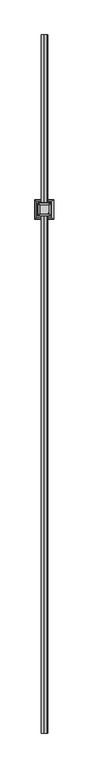
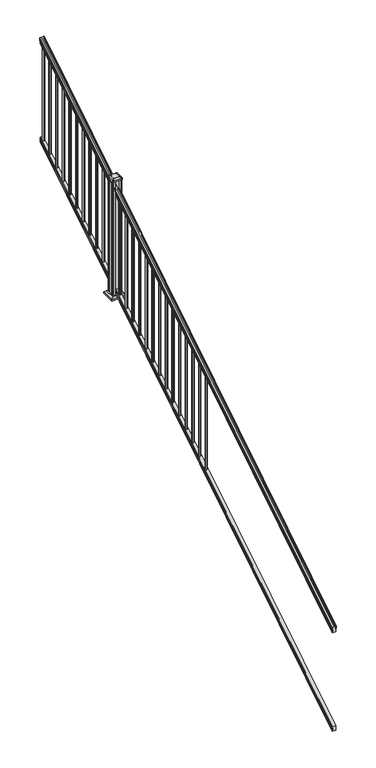
"""IFC4 building model written with IfcOpenShell, lengths in millimetres: railing geometry."""

from ifc_helpers import new_model, si_unit, point, frame, frame_2d, origin, place, context, project, spatial, polyline, circle_curve, ellipse_curve, trimmed, segment, composite_curve, outline, extrude, faceted_brep, source, transform, mapped, element, save
from ifc_brep_helpers import plane_surface, cylinder_surface, revolved_surface, extruded_surface, advanced_brep


def railing_0a82d272(model_context):
    return source(origin(), model_context, "Body", "SolidModel", [
        advanced_brep(
        [(9739.1614371, -16813.8194681, 1285.6070492), (9741.7352659, -16813.8194681, 1285.6070492), (9741.7352659, -16813.8194681, 1273.0394336), (9740.7192659, -16813.8194681, 1271.841318), (9740.7192659, -16813.8194681, 1257.3), (9772.4692659, -16813.8194681, 1257.3), (9772.4692659, -16813.8194681, 1272.0274214), (9771.4532659, -16813.8194681, 1273.225537), (9771.4532659, -16813.8194681, 1285.6070492), (9774.0270946, -16813.8194681, 1285.6070492), (9774.0270946, -16813.8194681, 1287.8335658), (9775.1572809, -16813.8194681, 1289.6758543), (9775.1572809, -16813.8194681, 1298.1876358), (9774.5080245, -16813.8194681, 1301.0572588), (9777.0080245, -16813.8194681, 1306.1635509), (9778.417367, -16813.8194681, 1308.1442021), (9778.819266, -16813.8194681, 1309.4469579), (9778.8192659, -16813.8194681, 1311.0274846), (9777.2658186, -16813.8194681, 1312.8593836), (9756.5942659, -16813.8194681, 1312.8593836), (9735.9227131, -16813.8194681, 1312.8593836), (9734.3692659, -16813.8194681, 1311.0274846), (9734.3692659, -16813.8194681, 1309.4469579), (9734.7711648, -16813.8194681, 1308.1442021), (9736.1805072, -16813.8194681, 1306.1635509), (9738.6805072, -16813.8194681, 1301.0572588), (9738.0312508, -16813.8194681, 1298.1876358), (9738.0312508, -16813.8194681, 1289.6758543), (9739.1614371, -16813.8194681, 1287.8335658), (9739.1614371, -11937.0194681, 4333.6070492), (9739.1614371, -11937.0194681, 4335.8335658), (9738.0312508, -11937.0194681, 4337.6758543), (9738.0312508, -11937.0194681, 4346.1876358), (9738.6805072, -11937.0194681, 4349.0572588), (9736.1805072, -11937.0194681, 4354.1635509), (9734.7711648, -11937.0194681, 4356.1442021), (9734.3692658, -11937.0194681, 4357.4469579), (9734.3692659, -11937.0194681, 4359.0274846), (9735.9227131, -11937.0194681, 4360.8593836), (9756.5942659, -11937.0194681, 4360.8593836), (9777.2658186, -11937.0194681, 4360.8593836), (9778.8192659, -11937.0194681, 4359.0274846), (9778.8192659, -11937.0194681, 4357.4469579), (9778.417367, -11937.0194681, 4356.1442021), (9777.0080245, -11937.0194681, 4354.1635509), (9774.5080245, -11937.0194681, 4349.0572588), (9775.1572809, -11937.0194681, 4346.1876358), (9775.1572809, -11937.0194681, 4337.6758543), (9774.0270946, -11937.0194681, 4335.8335658), (9774.0270946, -11937.0194681, 4333.6070492), (9771.4532659, -11937.0194681, 4333.6070492), (9771.4532659, -11937.0194681, 4321.225537), (9772.4692659, -11937.0194681, 4320.0274214), (9772.4692659, -11937.0194681, 4305.3), (9740.7192659, -11937.0194681, 4305.3), (9740.7192659, -11937.0194681, 4319.841318), (9741.7352659, -11937.0194681, 4321.0394336), (9741.7352659, -11937.0194681, 4333.6070492)],
        [
            (0, 1, ellipse_curve(frame((9740.4483515, -16813.8194681, 1285.6070492), z_axis=(0.0, -1.0, 0.0), x_axis=(0.0, 0.0, -1.0)), 1.5175907, 1.2869144)),
            (1, 2),
            (2, 3),
            (3, 4),
            (4, 5),
            (5, 6),
            (6, 7),
            (7, 8),
            (8, 9, ellipse_curve(frame((9772.7401802, -16813.8194681, 1285.6070492), z_axis=(0.0, -1.0, 0.0), x_axis=(0.0, 0.0, -1.0)), 1.5175907, 1.2869144)),
            (9, 10),
            (10, 11, ellipse_curve(frame((9767.7123413, -16813.8194681, 1294.6239405), z_axis=(0.0, -1.0, 0.0), x_axis=(0.0, 0.0, -1.0)), 10.0777926, 8.545951)),
            (11, 12, ellipse_curve(frame((9768.1494043, -16813.8194681, 1293.9317451), z_axis=(0.0, -1.0, 0.0), x_axis=(0.0, 0.0, -1.0)), 9.2955186, 7.882584)),
            (12, 13, ellipse_curve(frame((9778.6627284, -16813.8194681, 1300.8275077), z_axis=(0.0, 1.0, 0.0), x_axis=(0.0, 0.0, 1.0)), 4.9048088, 4.1592695)),
            (13, 14, ellipse_curve(frame((9779.950035, -16813.8194681, 1300.7563208), z_axis=(0.0, 1.0, 0.0), x_axis=(0.0, 0.0, 1.0)), 6.4245301, 5.4479907)),
            (14, 15, ellipse_curve(frame((9778.7168765, -16813.8194681, 1306.1602333), z_axis=(0.0, 1.0, 0.0), x_axis=(0.0, 0.0, 1.0)), 2.0151625, 1.7088543)),
            (15, 16, ellipse_curve(frame((9777.0999764, -16813.8194681, 1309.4469579), z_axis=(0.0, -1.0, 0.0), x_axis=(0.0, 0.0, -1.0)), 2.0274681, 1.7192895)),
            (16, 17),
            (17, 18, ellipse_curve(frame((9777.2658186, -16813.8194681, 1311.0274846), z_axis=(0.0, -1.0, 0.0), x_axis=(0.0, 0.0, -1.0)), 1.831899, 1.5534472)),
            (18, 19),
            (19, 20),
            (20, 21, ellipse_curve(frame((9735.9227131, -16813.8194681, 1311.0274846), z_axis=(0.0, -1.0, 0.0), x_axis=(0.0, 0.0, -1.0)), 1.831899, 1.5534472)),
            (21, 22),
            (22, 23, ellipse_curve(frame((9736.0885553, -16813.8194681, 1309.4469579), z_axis=(0.0, -1.0, 0.0), x_axis=(0.0, 0.0, -1.0)), 2.0274681, 1.7192895)),
            (23, 24, ellipse_curve(frame((9734.4716552, -16813.8194681, 1306.1602333), z_axis=(0.0, 1.0, 0.0), x_axis=(0.0, 0.0, 1.0)), 2.0151625, 1.7088543)),
            (24, 25, ellipse_curve(frame((9733.2384968, -16813.8194681, 1300.7563208), z_axis=(0.0, 1.0, 0.0), x_axis=(0.0, 0.0, 1.0)), 6.4245301, 5.4479907)),
            (25, 26, ellipse_curve(frame((9734.5258033, -16813.8194681, 1300.8275077), z_axis=(0.0, 1.0, 0.0), x_axis=(0.0, 0.0, 1.0)), 4.9048088, 4.1592695)),
            (26, 27, ellipse_curve(frame((9745.0391275, -16813.8194681, 1293.9317451), z_axis=(0.0, -1.0, 0.0), x_axis=(0.0, 0.0, -1.0)), 9.2955186, 7.882584)),
            (27, 28, ellipse_curve(frame((9745.4761904, -16813.8194681, 1294.6239405), z_axis=(0.0, -1.0, 0.0), x_axis=(0.0, 0.0, -1.0)), 10.0777926, 8.545951)),
            (28, 0),
            (29, 30),
            (30, 31, ellipse_curve(frame((9745.4761904, -11937.0194681, 4342.6239405), z_axis=(0.0, 1.0, 0.0), x_axis=(0.0, 0.0, -1.0)), 10.0777926, 8.545951)),
            (31, 32, ellipse_curve(frame((9745.0391275, -11937.0194681, 4341.9317451), z_axis=(0.0, 1.0, 0.0), x_axis=(0.0, 0.0, -1.0)), 9.2955186, 7.882584)),
            (32, 33, ellipse_curve(frame((9734.5258033, -11937.0194681, 4348.8275077), z_axis=(0.0, -1.0, 0.0), x_axis=(0.0, 0.0, 1.0)), 4.9048088, 4.1592695)),
            (33, 34, ellipse_curve(frame((9733.2384968, -11937.0194681, 4348.7563208), z_axis=(0.0, -1.0, 0.0), x_axis=(0.0, 0.0, 1.0)), 6.4245301, 5.4479907)),
            (34, 35, ellipse_curve(frame((9734.4716552, -11937.0194681, 4354.1602333), z_axis=(0.0, -1.0, 0.0), x_axis=(0.0, 0.0, 1.0)), 2.0151625, 1.7088543)),
            (35, 36, ellipse_curve(frame((9736.0885553, -11937.0194681, 4357.4469579), z_axis=(0.0, 1.0, 0.0), x_axis=(0.0, 0.0, -1.0)), 2.0274681, 1.7192895)),
            (36, 37),
            (37, 38, ellipse_curve(frame((9735.9227131, -11937.0194681, 4359.0274846), z_axis=(0.0, 1.0, 0.0), x_axis=(0.0, 0.0, -1.0)), 1.831899, 1.5534472)),
            (38, 39),
            (39, 40),
            (40, 41, ellipse_curve(frame((9777.2658186, -11937.0194681, 4359.0274846), z_axis=(0.0, 1.0, 0.0), x_axis=(0.0, 0.0, -1.0)), 1.831899, 1.5534472)),
            (41, 42),
            (42, 43, ellipse_curve(frame((9777.0999764, -11937.0194681, 4357.4469579), z_axis=(0.0, 1.0, 0.0), x_axis=(0.0, 0.0, -1.0)), 2.0274681, 1.7192895)),
            (43, 44, ellipse_curve(frame((9778.7168765, -11937.0194681, 4354.1602333), z_axis=(0.0, -1.0, 0.0), x_axis=(0.0, 0.0, 1.0)), 2.0151625, 1.7088543)),
            (44, 45, ellipse_curve(frame((9779.950035, -11937.0194681, 4348.7563208), z_axis=(0.0, -1.0, 0.0), x_axis=(0.0, 0.0, 1.0)), 6.4245301, 5.4479907)),
            (45, 46, ellipse_curve(frame((9778.6627284, -11937.0194681, 4348.8275077), z_axis=(0.0, -1.0, 0.0), x_axis=(0.0, 0.0, 1.0)), 4.9048088, 4.1592695)),
            (46, 47, ellipse_curve(frame((9768.1494043, -11937.0194681, 4341.9317451), z_axis=(0.0, 1.0, 0.0), x_axis=(0.0, 0.0, -1.0)), 9.2955186, 7.882584)),
            (47, 48, ellipse_curve(frame((9767.7123413, -11937.0194681, 4342.6239405), z_axis=(0.0, 1.0, 0.0), x_axis=(0.0, 0.0, -1.0)), 10.0777926, 8.545951)),
            (48, 49),
            (49, 50, ellipse_curve(frame((9772.7401802, -11937.0194681, 4333.6070492), z_axis=(0.0, 1.0, 0.0), x_axis=(0.0, 0.0, -1.0)), 1.5175907, 1.2869144)),
            (50, 51),
            (51, 52),
            (52, 53),
            (53, 54),
            (54, 55),
            (55, 56),
            (56, 57),
            (57, 29, ellipse_curve(frame((9740.4483515, -11937.0194681, 4333.6070492), z_axis=(0.0, 1.0, 0.0), x_axis=(0.0, 0.0, -1.0)), 1.5175907, 1.2869144)),
            (0, 29),
            (57, 1),
            (56, 2),
            (55, 3),
            (54, 4),
            (53, 5),
            (52, 6),
            (51, 7),
            (50, 8),
            (49, 9),
            (48, 10),
            (47, 11),
            (46, 12),
            (45, 13),
            (44, 14),
            (43, 15),
            (42, 16),
            (41, 17),
            (40, 18),
            (39, 19),
            (38, 20),
            (37, 21),
            (36, 22),
            (35, 23),
            (34, 24),
            (33, 25),
            (32, 26),
            (31, 27),
            (30, 28),
        ],
        [
            plane_surface(frame((9756.5942659, -16813.8194681, 1257.3), z_axis=(0.0, -1.0, 0.0), x_axis=(0.0, 0.0, 1.0))),
            plane_surface(frame((9756.5942659, -11937.0194681, 4305.3), z_axis=(0.0, 1.0, 0.0), x_axis=(0.0, 0.0, 1.0))),
            cylinder_surface(frame((9740.4483515, -16826.5417374, 1277.6556309), z_axis=(0.0, -0.8479983040051251, -0.5299989400031206), x_axis=(1.0, 0.0, 0.0)), 1.2869144),
            plane_surface(frame((9741.7352659, -16813.8194681, 1285.6070492), z_axis=(-1.0000000000000002, 0.0, 0.0), x_axis=(0.0, 0.8479983040051251, 0.5299989400031208))),
            plane_surface(frame((9741.7352659, -16813.8194681, 1273.0394336), z_axis=(-0.7071067811865404, -0.3747658444978918, 0.5996253511967223), x_axis=(0.0, 0.8479983040051252, 0.5299989400031206))),
            plane_surface(frame((9740.7192659, -16813.8194681, 1271.841318), z_axis=(-1.0, 0.0, 0.0), x_axis=(0.0, 0.8479983040051251, 0.5299989400031206))),
            plane_surface(frame((9740.7192659, -16813.8194681, 1257.3), z_axis=(0.0, 0.5299989400031206, -0.8479983040051251), x_axis=(0.0, 0.8479983040051251, 0.5299989400031206))),
            plane_surface(frame((9772.4692659, -16813.8194681, 1257.3), z_axis=(1.0000000000000002, 0.0, 0.0), x_axis=(0.0, 0.8479983040051251, 0.5299989400031208))),
            plane_surface(frame((9772.4692659, -16813.8194681, 1272.0274214), z_axis=(0.7071067811865426, -0.3747658444978924, 0.5996253511967191), x_axis=(0.0, 0.8479983040051251, 0.5299989400031208))),
            plane_surface(frame((9771.4532659, -16813.8194681, 1273.225537), z_axis=(1.0, 0.0, 0.0), x_axis=(0.0, 0.8479983040051251, 0.5299989400031206))),
            cylinder_surface(frame((9772.7401802, -16826.5417374, 1277.6556309), z_axis=(0.0, -0.8479983040051251, -0.5299989400031206), x_axis=(-1.0, 0.0, 0.0)), 1.2869144),
            plane_surface(frame((9774.0270946, -16813.8194681, 1285.6070492), z_axis=(1.0000000000000002, 0.0, 0.0), x_axis=(0.0, 0.8479983040051251, 0.5299989400031208))),
            cylinder_surface(frame((9767.7123413, -16830.5942728, 1284.1396876), z_axis=(0.0, -0.8479983040051251, -0.5299989400031206), x_axis=(-1.0, 0.0, 0.0)), 8.545951),
            cylinder_surface(frame((9768.1494043, -16830.2831737, 1283.641929), z_axis=(0.0, -0.8479983040051251, -0.5299989400031206), x_axis=(-1.0, 0.0, 0.0)), 7.882584),
            revolved_surface(polyline([(9774.5034589, -11934.815059650347, 4350.205262980556), (9774.5034589, -16816.023876549436, 1299.4497524191004)]), (9778.6627284, -16833.3823929, 1288.6006797), (0.0, 0.8479983040051251, 0.5299989400031206)),
            revolved_surface(polyline([(9774.5020443, -11934.132038835742, 4350.560964077186), (9774.5020443, -16816.706897352808, 1298.9516775044947)]), (9779.950035, -16833.3503988, 1288.5494891), (0.0, 0.8479983040051251, 0.5299989400031206)),
            revolved_surface(polyline([(9777.0080222, -11936.113777099785, 4354.726290199658), (9777.0080222, -16814.72515912247, 1305.5941764359545)]), (9778.7168765, -16835.7791235, 1292.4354487), (0.0, 0.8479983040051251, 0.5299989400031206)),
            cylinder_surface(frame((9777.0999764, -16837.2563031, 1294.798936), z_axis=(0.0, -0.8479983040051251, -0.5299989400031206), x_axis=(-1.0, 0.0, 0.0)), 1.7192895),
            plane_surface(frame((9778.8192659, -16813.8194681, 1309.4469579), z_axis=(1.0000000000000002, 0.0, 0.0), x_axis=(0.0, 0.8479983040051251, 0.5299989400031208))),
            cylinder_surface(frame((9777.2658186, -16837.9666522, 1295.9354945), z_axis=(0.0, -0.8479983040051251, -0.5299989400031206), x_axis=(-1.0, 0.0, 0.0)), 1.5534472),
            plane_surface(frame((9777.2658186, -16813.8194681, 1312.8593836), z_axis=(0.0, -0.5299989400031208, 0.8479983040051251), x_axis=(0.0, 0.8479983040051251, 0.5299989400031208))),
            plane_surface(frame((9756.5942659, -16813.8194681, 1312.8593836), z_axis=(0.0, -0.5299989400031208, 0.8479983040051251), x_axis=(0.0, 0.8479983040051251, 0.5299989400031208))),
            cylinder_surface(frame((9735.9227131, -16837.9666522, 1295.9354945), z_axis=(0.0, -0.8479983040051251, -0.5299989400031206), x_axis=(1.0, 0.0, 0.0)), 1.5534472),
            plane_surface(frame((9734.3692659, -16813.8194681, 1311.0274846), z_axis=(-1.0000000000000002, 0.0, 0.0), x_axis=(0.0, 0.8479983040051251, 0.5299989400031208))),
            cylinder_surface(frame((9736.0885553, -16837.2563031, 1294.798936), z_axis=(0.0, -0.8479983040051251, -0.5299989400031206), x_axis=(1.0, 0.0, 0.0)), 1.7192895),
            revolved_surface(polyline([(9736.180509500002, -11936.113777099785, 4354.726290199658), (9736.180509500002, -16814.72515912247, 1305.5941764359545)]), (9734.4716552, -16835.7791235, 1292.4354487), (0.0, 0.8479983040051251, 0.5299989400031206)),
            revolved_surface(polyline([(9738.686487500001, -11934.132038835742, 4350.560964077186), (9738.686487500001, -16816.706897352808, 1298.9516775044947)]), (9733.2384968, -16833.3503988, 1288.5494891), (0.0, 0.8479983040051251, 0.5299989400031206)),
            revolved_surface(polyline([(9738.685072799999, -11934.815059650347, 4350.205262980556), (9738.685072799999, -16816.023876549436, 1299.4497524191004)]), (9734.5258033, -16833.3823929, 1288.6006797), (0.0, 0.8479983040051251, 0.5299989400031206)),
            cylinder_surface(frame((9745.0391275, -16830.2831737, 1283.641929), z_axis=(0.0, -0.8479983040051251, -0.5299989400031206), x_axis=(1.0, 0.0, 0.0)), 7.882584),
            cylinder_surface(frame((9745.4761904, -16830.5942728, 1284.1396876), z_axis=(0.0, -0.8479983040051251, -0.5299989400031206), x_axis=(1.0, 0.0, 0.0)), 8.545951),
            plane_surface(frame((9739.1614371, -16813.8194681, 1287.8335658), z_axis=(-1.0000000000000002, 0.0, 0.0), x_axis=(0.0, 0.8479983040051251, 0.5299989400031208))),
        ],
        [
            (0, [[1, 2, 3, 4, 5, 6, 7, 8, 9, 10, 11, 12, 13, 14, 15, 16, 17, 18, 19, 20, 21, 22, 23, 24, 25, 26, 27, 28, 29]]),
            (1, [[30, 31, 32, 33, 34, 35, 36, 37, 38, 39, 40, 41, 42, 43, 44, 45, 46, 47, 48, 49, 50, 51, 52, 53, 54, 55, 56, 57, 58]]),
            (2, [[-1, 59, -58, 60]]),
            (3, [[-2, -60, -57, 61]]),
            (4, [[-3, -61, -56, 62]]),
            (5, [[-4, -62, -55, 63]]),
            (6, [[-5, -63, -54, 64]]),
            (7, [[-6, -64, -53, 65]]),
            (8, [[-7, -65, -52, 66]]),
            (9, [[-8, -66, -51, 67]]),
            (10, [[-9, -67, -50, 68]]),
            (11, [[-10, -68, -49, 69]]),
            (12, [[-11, -69, -48, 70]]),
            (13, [[-12, -70, -47, 71]]),
            (14, [[-13, -71, -46, 72]]),
            (15, [[-14, -72, -45, 73]]),
            (16, [[-15, -73, -44, 74]]),
            (17, [[-16, -74, -43, 75]]),
            (18, [[-17, -75, -42, 76]]),
            (19, [[-18, -76, -41, 77]]),
            (20, [[-19, -77, -40, 78]]),
            (21, [[-20, -78, -39, 79]]),
            (22, [[-21, -79, -38, 80]]),
            (23, [[-22, -80, -37, 81]]),
            (24, [[-23, -81, -36, 82]]),
            (25, [[-24, -82, -35, 83]]),
            (26, [[-25, -83, -34, 84]]),
            (27, [[-26, -84, -33, 85]]),
            (28, [[-27, -85, -32, 86]]),
            (29, [[-28, -86, -31, 87]]),
            (30, [[-29, -87, -30, -59]]),
        ],
    ),
        faceted_brep([(9740.681779, -16813.8194681, 268.8045079), (9740.681779, -16813.8194681, 254.0), (9772.431779, -16813.8194681, 254.0), (9772.431779, -16813.8194681, 268.7848772), (9771.415779, -16813.8194681, 270.3748303), (9771.415779, -16813.8194681, 282.5348741), (9772.431779, -16813.8194681, 284.1248272), (9772.431779, -16813.8194681, 298.9244744), (9740.681779, -16813.8194681, 298.9244744), (9740.681779, -16813.8194681, 284.1444579), (9741.697779, -16813.8194681, 282.5545048), (9741.697779, -16813.8194681, 270.338026), (9740.681779, -11937.0194681, 3316.8045079), (9741.697779, -11937.0194681, 3318.338026), (9741.697779, -11937.0194681, 3330.5545048), (9740.681779, -11937.0194681, 3332.1444579), (9740.681779, -11937.0194681, 3346.9244744), (9772.431779, -11937.0194681, 3346.9244744), (9772.431779, -11937.0194681, 3332.1248272), (9771.415779, -11937.0194681, 3330.5348741), (9771.415779, -11937.0194681, 3318.3748303), (9772.431779, -11937.0194681, 3316.7848772), (9772.431779, -11937.0194681, 3302.0), (9740.681779, -11937.0194681, 3302.0)], [[[0, 1, 2, 3, 4, 5, 6, 7, 8, 9, 10, 11]], [[12, 13, 14, 15, 16, 17, 18, 19, 20, 21, 22, 23]], [[1, 0, 12, 23]], [[2, 1, 23, 22]], [[3, 2, 22, 21]], [[4, 3, 21, 20]], [[5, 4, 20, 19]], [[6, 5, 19, 18]], [[7, 6, 18, 17]], [[8, 7, 17, 16]], [[9, 8, 16, 15]], [[10, 9, 15, 14]], [[11, 10, 14, 13]], [[0, 11, 13, 12]]]),
        extrude(outline(composite_curve([segment(trimmed(circle_curve(frame_2d((9756.5942659, -11964.0069681)), 9.525), [point((9747.0692659, -11964.0069681))], [point((9756.5942659, -11954.4819681))], False, "CARTESIAN"), True, "CONTINUOUS"), segment(trimmed(circle_curve(frame_2d((9756.5942659, -11964.0069681)), 9.525), [point((9756.5942659, -11954.4819681))], [point((9766.1192659, -11964.0069681))], False, "CARTESIAN"), True, "CONTINUOUS"), segment(trimmed(circle_curve(frame_2d((9756.5942659, -11964.0069681)), 9.525), [point((9766.1192659, -11964.0069681))], [point((9756.5942659, -11973.5319681))], False, "CARTESIAN"), True, "CONTINUOUS"), segment(trimmed(circle_curve(frame_2d((9756.5942659, -11964.0069681)), 9.525), [point((9756.5942659, -11973.5319681))], [point((9747.0692659, -11964.0069681))], False, "CARTESIAN"), True, "CONTINUOUS")], self_intersect=False)), frame((0.0, 0.0, 3323.2286906), z_axis=(0.0, 0.0, 1.0), x_axis=(1.0, 0.0, 0.0)), (0.0, 0.0, 1.0), 965.2041219),
        extrude(outline(composite_curve([segment(trimmed(circle_curve(frame_2d((9756.5942659, -12075.1319681)), 9.525), [point((9747.0692659, -12075.1319681))], [point((9756.5942659, -12065.6069681))], False, "CARTESIAN"), True, "CONTINUOUS"), segment(trimmed(circle_curve(frame_2d((9756.5942659, -12075.1319681)), 9.525), [point((9756.5942659, -12065.6069681))], [point((9766.1192659, -12075.1319681))], False, "CARTESIAN"), True, "CONTINUOUS"), segment(trimmed(circle_curve(frame_2d((9756.5942659, -12075.1319681)), 9.525), [point((9766.1192659, -12075.1319681))], [point((9756.5942659, -12084.6569681))], False, "CARTESIAN"), True, "CONTINUOUS"), segment(trimmed(circle_curve(frame_2d((9756.5942659, -12075.1319681)), 9.525), [point((9756.5942659, -12084.6569681))], [point((9747.0692659, -12075.1319681))], False, "CARTESIAN"), True, "CONTINUOUS")], self_intersect=False)), frame((0.0, 0.0, 3253.7755656), z_axis=(0.0, 0.0, 1.0), x_axis=(1.0, 0.0, 0.0)), (0.0, 0.0, 1.0), 965.2041219),
        extrude(outline(composite_curve([segment(trimmed(circle_curve(frame_2d((9756.5942659, -12186.2569681)), 9.525), [point((9747.0692659, -12186.2569681))], [point((9756.5942659, -12176.7319681))], False, "CARTESIAN"), True, "CONTINUOUS"), segment(trimmed(circle_curve(frame_2d((9756.5942659, -12186.2569681)), 9.525), [point((9756.5942659, -12176.7319681))], [point((9766.1192659, -12186.2569681))], False, "CARTESIAN"), True, "CONTINUOUS"), segment(trimmed(circle_curve(frame_2d((9756.5942659, -12186.2569681)), 9.525), [point((9766.1192659, -12186.2569681))], [point((9756.5942659, -12195.7819681))], False, "CARTESIAN"), True, "CONTINUOUS"), segment(trimmed(circle_curve(frame_2d((9756.5942659, -12186.2569681)), 9.525), [point((9756.5942659, -12195.7819681))], [point((9747.0692659, -12186.2569681))], False, "CARTESIAN"), True, "CONTINUOUS")], self_intersect=False)), frame((0.0, 0.0, 3184.3224406), z_axis=(0.0, 0.0, 1.0), x_axis=(1.0, 0.0, 0.0)), (0.0, 0.0, 1.0), 965.2041219),
        extrude(outline(composite_curve([segment(trimmed(circle_curve(frame_2d((9756.5942659, -12297.3819681)), 9.525), [point((9747.0692659, -12297.3819681))], [point((9756.5942659, -12287.8569681))], False, "CARTESIAN"), True, "CONTINUOUS"), segment(trimmed(circle_curve(frame_2d((9756.5942659, -12297.3819681)), 9.525), [point((9756.5942659, -12287.8569681))], [point((9766.1192659, -12297.3819681))], False, "CARTESIAN"), True, "CONTINUOUS"), segment(trimmed(circle_curve(frame_2d((9756.5942659, -12297.3819681)), 9.525), [point((9766.1192659, -12297.3819681))], [point((9756.5942659, -12306.9069681))], False, "CARTESIAN"), True, "CONTINUOUS"), segment(trimmed(circle_curve(frame_2d((9756.5942659, -12297.3819681)), 9.525), [point((9756.5942659, -12306.9069681))], [point((9747.0692659, -12297.3819681))], False, "CARTESIAN"), True, "CONTINUOUS")], self_intersect=False)), frame((0.0, 0.0, 3114.8693156), z_axis=(0.0, 0.0, 1.0), x_axis=(1.0, 0.0, 0.0)), (0.0, 0.0, 1.0), 965.2041219),
        extrude(outline(composite_curve([segment(trimmed(circle_curve(frame_2d((9756.5942659, -12408.5069681)), 9.525), [point((9747.0692659, -12408.5069681))], [point((9756.5942659, -12398.9819681))], False, "CARTESIAN"), True, "CONTINUOUS"), segment(trimmed(circle_curve(frame_2d((9756.5942659, -12408.5069681)), 9.525), [point((9756.5942659, -12398.9819681))], [point((9766.1192659, -12408.5069681))], False, "CARTESIAN"), True, "CONTINUOUS"), segment(trimmed(circle_curve(frame_2d((9756.5942659, -12408.5069681)), 9.525), [point((9766.1192659, -12408.5069681))], [point((9756.5942659, -12418.0319681))], False, "CARTESIAN"), True, "CONTINUOUS"), segment(trimmed(circle_curve(frame_2d((9756.5942659, -12408.5069681)), 9.525), [point((9756.5942659, -12418.0319681))], [point((9747.0692659, -12408.5069681))], False, "CARTESIAN"), True, "CONTINUOUS")], self_intersect=False)), frame((0.0, 0.0, 3045.4161906), z_axis=(0.0, 0.0, 1.0), x_axis=(1.0, 0.0, 0.0)), (0.0, 0.0, 1.0), 965.2041219),
        extrude(outline(composite_curve([segment(trimmed(circle_curve(frame_2d((9756.5942659, -12519.6319681)), 9.525), [point((9747.0692659, -12519.6319681))], [point((9756.5942659, -12510.1069681))], False, "CARTESIAN"), True, "CONTINUOUS"), segment(trimmed(circle_curve(frame_2d((9756.5942659, -12519.6319681)), 9.525), [point((9756.5942659, -12510.1069681))], [point((9766.1192659, -12519.6319681))], False, "CARTESIAN"), True, "CONTINUOUS"), segment(trimmed(circle_curve(frame_2d((9756.5942659, -12519.6319681)), 9.525), [point((9766.1192659, -12519.6319681))], [point((9756.5942659, -12529.1569681))], False, "CARTESIAN"), True, "CONTINUOUS"), segment(trimmed(circle_curve(frame_2d((9756.5942659, -12519.6319681)), 9.525), [point((9756.5942659, -12529.1569681))], [point((9747.0692659, -12519.6319681))], False, "CARTESIAN"), True, "CONTINUOUS")], self_intersect=False)), frame((0.0, 0.0, 2975.9630656), z_axis=(0.0, 0.0, 1.0), x_axis=(1.0, 0.0, 0.0)), (0.0, 0.0, 1.0), 965.2041219),
        extrude(outline(composite_curve([segment(trimmed(circle_curve(frame_2d((9756.5942659, -12630.7569681)), 9.525), [point((9747.0692659, -12630.7569681))], [point((9756.5942659, -12621.2319681))], False, "CARTESIAN"), True, "CONTINUOUS"), segment(trimmed(circle_curve(frame_2d((9756.5942659, -12630.7569681)), 9.525), [point((9756.5942659, -12621.2319681))], [point((9766.1192659, -12630.7569681))], False, "CARTESIAN"), True, "CONTINUOUS"), segment(trimmed(circle_curve(frame_2d((9756.5942659, -12630.7569681)), 9.525), [point((9766.1192659, -12630.7569681))], [point((9756.5942659, -12640.2819681))], False, "CARTESIAN"), True, "CONTINUOUS"), segment(trimmed(circle_curve(frame_2d((9756.5942659, -12630.7569681)), 9.525), [point((9756.5942659, -12640.2819681))], [point((9747.0692659, -12630.7569681))], False, "CARTESIAN"), True, "CONTINUOUS")], self_intersect=False)), frame((0.0, 0.0, 2906.5099406), z_axis=(0.0, 0.0, 1.0), x_axis=(1.0, 0.0, 0.0)), (0.0, 0.0, 1.0), 965.2041219),
        extrude(outline(composite_curve([segment(trimmed(circle_curve(frame_2d((9756.5942659, -12741.8819681)), 9.525), [point((9747.0692659, -12741.8819681))], [point((9756.5942659, -12732.3569681))], False, "CARTESIAN"), True, "CONTINUOUS"), segment(trimmed(circle_curve(frame_2d((9756.5942659, -12741.8819681)), 9.525), [point((9756.5942659, -12732.3569681))], [point((9766.1192659, -12741.8819681))], False, "CARTESIAN"), True, "CONTINUOUS"), segment(trimmed(circle_curve(frame_2d((9756.5942659, -12741.8819681)), 9.525), [point((9766.1192659, -12741.8819681))], [point((9756.5942659, -12751.4069681))], False, "CARTESIAN"), True, "CONTINUOUS"), segment(trimmed(circle_curve(frame_2d((9756.5942659, -12741.8819681)), 9.525), [point((9756.5942659, -12751.4069681))], [point((9747.0692659, -12741.8819681))], False, "CARTESIAN"), True, "CONTINUOUS")], self_intersect=False)), frame((0.0, 0.0, 2837.0568156), z_axis=(0.0, 0.0, 1.0), x_axis=(1.0, 0.0, 0.0)), (0.0, 0.0, 1.0), 965.2041219),
        extrude(outline(composite_curve([segment(trimmed(circle_curve(frame_2d((9756.5942659, -12853.0069681)), 9.525), [point((9747.0692659, -12853.0069681))], [point((9756.5942659, -12843.4819681))], False, "CARTESIAN"), True, "CONTINUOUS"), segment(trimmed(circle_curve(frame_2d((9756.5942659, -12853.0069681)), 9.525), [point((9756.5942659, -12843.4819681))], [point((9766.1192659, -12853.0069681))], False, "CARTESIAN"), True, "CONTINUOUS"), segment(trimmed(circle_curve(frame_2d((9756.5942659, -12853.0069681)), 9.525), [point((9766.1192659, -12853.0069681))], [point((9756.5942659, -12862.5319681))], False, "CARTESIAN"), True, "CONTINUOUS"), segment(trimmed(circle_curve(frame_2d((9756.5942659, -12853.0069681)), 9.525), [point((9756.5942659, -12862.5319681))], [point((9747.0692659, -12853.0069681))], False, "CARTESIAN"), True, "CONTINUOUS")], self_intersect=False)), frame((0.0, 0.0, 2767.6036906), z_axis=(0.0, 0.0, 1.0), x_axis=(1.0, 0.0, 0.0)), (0.0, 0.0, 1.0), 965.2041219),
        extrude(outline(composite_curve([segment(trimmed(circle_curve(frame_2d((9756.5942659, -12964.1319681)), 9.525), [point((9747.0692659, -12964.1319681))], [point((9756.5942659, -12954.6069681))], False, "CARTESIAN"), True, "CONTINUOUS"), segment(trimmed(circle_curve(frame_2d((9756.5942659, -12964.1319681)), 9.525), [point((9756.5942659, -12954.6069681))], [point((9766.1192659, -12964.1319681))], False, "CARTESIAN"), True, "CONTINUOUS"), segment(trimmed(circle_curve(frame_2d((9756.5942659, -12964.1319681)), 9.525), [point((9766.1192659, -12964.1319681))], [point((9756.5942659, -12973.6569681))], False, "CARTESIAN"), True, "CONTINUOUS"), segment(trimmed(circle_curve(frame_2d((9756.5942659, -12964.1319681)), 9.525), [point((9756.5942659, -12973.6569681))], [point((9747.0692659, -12964.1319681))], False, "CARTESIAN"), True, "CONTINUOUS")], self_intersect=False)), frame((0.0, 0.0, 2698.1505656), z_axis=(0.0, 0.0, 1.0), x_axis=(1.0, 0.0, 0.0)), (0.0, 0.0, 1.0), 965.2041219),
        extrude(outline(composite_curve([segment(trimmed(circle_curve(frame_2d((9756.5942659, -13075.2569681)), 9.525), [point((9747.0692659, -13075.2569681))], [point((9756.5942659, -13065.7319681))], False, "CARTESIAN"), True, "CONTINUOUS"), segment(trimmed(circle_curve(frame_2d((9756.5942659, -13075.2569681)), 9.525), [point((9756.5942659, -13065.7319681))], [point((9766.1192659, -13075.2569681))], False, "CARTESIAN"), True, "CONTINUOUS"), segment(trimmed(circle_curve(frame_2d((9756.5942659, -13075.2569681)), 9.525), [point((9766.1192659, -13075.2569681))], [point((9756.5942659, -13084.7819681))], False, "CARTESIAN"), True, "CONTINUOUS"), segment(trimmed(circle_curve(frame_2d((9756.5942659, -13075.2569681)), 9.525), [point((9756.5942659, -13084.7819681))], [point((9747.0692659, -13075.2569681))], False, "CARTESIAN"), True, "CONTINUOUS")], self_intersect=False)), frame((0.0, 0.0, 2628.6974406), z_axis=(0.0, 0.0, 1.0), x_axis=(1.0, 0.0, 0.0)), (0.0, 0.0, 1.0), 965.2041219),
        faceted_brep([(9704.0083284, -13208.8054056, 2505.075), (9809.1802034, -13208.8054056, 2505.075), (9809.1802034, -13103.6335306, 2505.075), (9704.0083284, -13103.6335306, 2505.075), (9689.9688753, -13222.8448587, 2491.74), (9689.9688753, -13089.5940775, 2491.74), (9823.2196565, -13089.5940775, 2491.74), (9823.2196565, -13222.8448587, 2491.74)], [[[0, 1, 2, 3]], [[4, 5, 6, 7]], [[4, 7, 1, 0]], [[7, 6, 2, 1]], [[6, 5, 3, 2]], [[5, 4, 0, 3]]]),
        extrude(outline(polyline([(9689.9688753, -13222.8448587), (9689.9688753, -13089.5940775), (9823.2196565, -13089.5940775), (9823.2196565, -13222.8448587), (9689.9688753, -13222.8448587)])), frame((0.0, 0.0, 2476.5), z_axis=(0.0, 0.0, 1.0), x_axis=(1.0, 0.0, 0.0)), (0.0, 0.0, 1.0), 15.24),
        advanced_brep(
        [(9782.3911409, -13185.1913431, 3688.839263), (9785.5661409, -13182.0163431, 3688.839263), (9785.5661409, -13130.4225931, 3688.839263), (9782.3911409, -13127.2475931, 3688.839263), (9730.7973909, -13127.2475931, 3688.839263), (9727.6223909, -13130.4225931, 3688.839263), (9727.6223909, -13182.0163431, 3688.839263), (9730.7973909, -13185.1913431, 3688.839263), (9798.6630159, -13201.4632181, 3677.536263), (9714.5255159, -13201.4632181, 3677.536263), (9711.3505159, -13198.2882181, 3677.536263), (9711.3505159, -13114.1507181, 3677.536263), (9714.5255159, -13110.9757181, 3677.536263), (9798.6630159, -13110.9757181, 3677.536263), (9801.8380159, -13114.1507181, 3677.536263), (9801.8380159, -13198.2882181, 3677.536263)],
        [
            (0, 1, circle_curve(frame((9782.3911409, -13182.0163431, 3688.839263), z_axis=(0.0, 0.0, 1.0), x_axis=(0.0, 1.0, 0.0)), 3.175)),
            (1, 2),
            (2, 3, circle_curve(frame((9782.3911409, -13130.4225931, 3688.839263), z_axis=(0.0, 0.0, 1.0), x_axis=(0.0, 1.0, 0.0)), 3.175)),
            (3, 4),
            (4, 5, circle_curve(frame((9730.7973909, -13130.4225931, 3688.839263), z_axis=(0.0, 0.0, 1.0), x_axis=(0.0, 1.0, 0.0)), 3.175)),
            (5, 6),
            (6, 7, circle_curve(frame((9730.7973909, -13182.0163431, 3688.839263), z_axis=(0.0, 0.0, 1.0), x_axis=(0.0, 1.0, 0.0)), 3.175)),
            (7, 0),
            (8, 9),
            (9, 10, circle_curve(frame((9714.5255159, -13198.2882181, 3677.536263), z_axis=(0.0, 0.0, -1.0), x_axis=(0.0, 1.0, 0.0)), 3.175)),
            (10, 11),
            (11, 12, circle_curve(frame((9714.5255159, -13114.1507181, 3677.536263), z_axis=(0.0, 0.0, -1.0), x_axis=(0.0, 1.0, 0.0)), 3.175)),
            (12, 13),
            (13, 14, circle_curve(frame((9798.6630159, -13114.1507181, 3677.536263), z_axis=(0.0, 0.0, -1.0), x_axis=(0.0, 1.0, 0.0)), 3.175)),
            (14, 15),
            (15, 8, circle_curve(frame((9798.6630159, -13198.2882181, 3677.536263), z_axis=(0.0, 0.0, -1.0), x_axis=(0.0, 1.0, 0.0)), 3.175)),
            (15, 1),
            (0, 8),
            (14, 2),
            (13, 3),
            (12, 4),
            (11, 5),
            (10, 6),
            (9, 7),
        ],
        [
            plane_surface(frame((9756.5942659, -13156.2194681, 3688.839263), z_axis=(0.0, 0.0, 1.0), x_axis=(1.0, 0.0, 0.0))),
            plane_surface(frame((9756.5942659, -13156.2194681, 3677.536263), z_axis=(0.0, 0.0, -1.0), x_axis=(1.0, 0.0, 0.0))),
            extruded_surface(trimmed(circle_curve(frame((9798.6630159, -13198.2882181, 3677.536263), z_axis=(0.0, 0.0, 1.0), x_axis=(0.0, 1.0, 0.0)), 3.175), [point((9798.6630159, -13201.4632181, 3677.536263))], [point((9801.8380159, -13198.2882181, 3677.536263))], True, "CARTESIAN"), (-16.271875000000364, 16.271875000000364, 11.302999999999884), 25.63797263886657),
            plane_surface(frame((9801.8380159, -13156.2194681, 3677.536263), z_axis=(0.5705009161540778, 0.0, 0.8212969649690408), x_axis=(0.0, 1.0, 0.0))),
            extruded_surface(trimmed(circle_curve(frame((9798.6630159, -13114.1507181, 3677.536263), z_axis=(0.0, 0.0, 1.0), x_axis=(0.0, 1.0, 0.0)), 3.175), [point((9801.8380159, -13114.1507181, 3677.536263))], [point((9798.6630159, -13110.9757181, 3677.536263))], True, "CARTESIAN"), (-16.271875000000364, -16.271875000000364, 11.302999999999884), 25.63797263886657),
            plane_surface(frame((9756.5942659, -13110.9757181, 3677.536263), z_axis=(0.0, 0.5705009161540291, 0.8212969649690747), x_axis=(-1.0, 0.0, 0.0))),
            extruded_surface(trimmed(circle_curve(frame((9714.5255159, -13114.1507181, 3677.536263), z_axis=(0.0, 0.0, 1.0), x_axis=(0.0, 1.0, 0.0)), 3.175), [point((9714.5255159, -13110.9757181, 3677.536263))], [point((9711.3505159, -13114.1507181, 3677.536263))], True, "CARTESIAN"), (16.271874999998545, -16.271875000000364, 11.302999999999884), 25.63797263886542),
            plane_surface(frame((9711.3505159, -13156.2194681, 3677.536263), z_axis=(-0.5705009161540142, 0.0, 0.8212969649690851), x_axis=(0.0, -1.0, 0.0))),
            extruded_surface(trimmed(circle_curve(frame((9714.5255159, -13198.2882181, 3677.536263), z_axis=(0.0, 0.0, 1.0), x_axis=(0.0, 1.0, 0.0)), 3.175), [point((9711.3505159, -13198.2882181, 3677.536263))], [point((9714.5255159, -13201.4632181, 3677.536263))], True, "CARTESIAN"), (16.271874999998545, 16.271875000000364, 11.302999999999884), 25.63797263886542),
            plane_surface(frame((9756.5942659, -13201.4632181, 3677.536263), z_axis=(0.0, -0.570500916154034, 0.8212969649690713), x_axis=(1.0, 0.0, 0.0))),
        ],
        [
            (0, [[1, 2, 3, 4, 5, 6, 7, 8]]),
            (1, [[9, 10, 11, 12, 13, 14, 15, 16]]),
            (2, [[-16, 17, -1, 18]]),
            (3, [[-15, 19, -2, -17]]),
            (4, [[-14, 20, -3, -19]]),
            (5, [[-13, 21, -4, -20]]),
            (6, [[-12, 22, -5, -21]]),
            (7, [[-11, 23, -6, -22]]),
            (8, [[-10, 24, -7, -23]]),
            (9, [[-9, -18, -8, -24]]),
        ],
    ),
        extrude(outline(composite_curve([segment(polyline([(9798.6630159, -13201.4632181), (9714.5255159, -13201.4632181)]), True, "CONTINUOUS"), segment(trimmed(circle_curve(frame_2d((9714.5255159, -13198.2882181)), 3.175), [point((9714.5255159, -13201.4632181))], [point((9711.3505159, -13198.2882181))], False, "CARTESIAN"), True, "CONTINUOUS"), segment(polyline([(9711.3505159, -13198.2882181), (9711.3505159, -13114.1507181)]), True, "CONTINUOUS"), segment(trimmed(circle_curve(frame_2d((9714.5255159, -13114.1507181)), 3.175), [point((9711.3505159, -13114.1507181))], [point((9714.5255159, -13110.9757181))], False, "CARTESIAN"), True, "CONTINUOUS"), segment(polyline([(9714.5255159, -13110.9757181), (9798.6630159, -13110.9757181)]), True, "CONTINUOUS"), segment(trimmed(circle_curve(frame_2d((9798.6630159, -13114.1507181)), 3.175), [point((9798.6630159, -13110.9757181))], [point((9801.8380159, -13114.1507181))], False, "CARTESIAN"), True, "CONTINUOUS"), segment(polyline([(9801.8380159, -13114.1507181), (9801.8380159, -13198.2882181)]), True, "CONTINUOUS"), segment(trimmed(circle_curve(frame_2d((9798.6630159, -13198.2882181)), 3.175), [point((9801.8380159, -13198.2882181))], [point((9798.6630159, -13201.4632181))], False, "CARTESIAN"), True, "CONTINUOUS")], self_intersect=False)), frame((0.0, 0.0, 3660.264263), z_axis=(0.0, 0.0, 1.0), x_axis=(1.0, 0.0, 0.0)), (0.0, 0.0, 1.0), 17.272),
        extrude(outline(polyline([(9796.2817659, -13197.4944681), (9776.6602659, -13197.4944681), (9775.8982659, -13195.9069681), (9737.2902659, -13195.9069681), (9736.5282659, -13197.4944681), (9716.9067659, -13197.4944681), (9715.3192659, -13195.9069681), (9715.3192659, -13176.2854681), (9716.9067659, -13175.5234681), (9716.9067659, -13136.9154681), (9715.3192659, -13136.1534681), (9715.3192659, -13116.5319681), (9716.9067659, -13114.9444681), (9736.5282659, -13114.9444681), (9737.2902659, -13116.5319681), (9775.8982659, -13116.5319681), (9776.6602659, -13114.9444681), (9796.2817659, -13114.9444681), (9797.8692659, -13116.5319681), (9797.8692659, -13136.1534681), (9796.2817659, -13136.9154681), (9796.2817659, -13175.5234681), (9797.8692659, -13176.2854681), (9797.8692659, -13195.9069681), (9796.2817659, -13197.4944681)])), frame((0.0, 0.0, 2476.5), z_axis=(0.0, 0.0, 1.0), x_axis=(1.0, 0.0, 0.0)), (0.0, 0.0, 1.0), 1183.764263),
        extrude(outline(composite_curve([segment(trimmed(circle_curve(frame_2d((9756.5942659, -13237.1819681)), 9.525), [point((9747.0692659, -13237.1819681))], [point((9756.5942659, -13227.6569681))], False, "CARTESIAN"), True, "CONTINUOUS"), segment(trimmed(circle_curve(frame_2d((9756.5942659, -13237.1819681)), 9.525), [point((9756.5942659, -13227.6569681))], [point((9766.1192659, -13237.1819681))], False, "CARTESIAN"), True, "CONTINUOUS"), segment(trimmed(circle_curve(frame_2d((9756.5942659, -13237.1819681)), 9.525), [point((9766.1192659, -13237.1819681))], [point((9756.5942659, -13246.7069681))], False, "CARTESIAN"), True, "CONTINUOUS"), segment(trimmed(circle_curve(frame_2d((9756.5942659, -13237.1819681)), 9.525), [point((9756.5942659, -13246.7069681))], [point((9747.0692659, -13237.1819681))], False, "CARTESIAN"), True, "CONTINUOUS")], self_intersect=False)), frame((0.0, 0.0, 2527.4943156), z_axis=(0.0, 0.0, 1.0), x_axis=(1.0, 0.0, 0.0)), (0.0, 0.0, 1.0), 965.2041219),
        extrude(outline(composite_curve([segment(trimmed(circle_curve(frame_2d((9756.5942659, -13348.3069681)), 9.525), [point((9747.0692659, -13348.3069681))], [point((9756.5942659, -13338.7819681))], False, "CARTESIAN"), True, "CONTINUOUS"), segment(trimmed(circle_curve(frame_2d((9756.5942659, -13348.3069681)), 9.525), [point((9756.5942659, -13338.7819681))], [point((9766.1192659, -13348.3069681))], False, "CARTESIAN"), True, "CONTINUOUS"), segment(trimmed(circle_curve(frame_2d((9756.5942659, -13348.3069681)), 9.525), [point((9766.1192659, -13348.3069681))], [point((9756.5942659, -13357.8319681))], False, "CARTESIAN"), True, "CONTINUOUS"), segment(trimmed(circle_curve(frame_2d((9756.5942659, -13348.3069681)), 9.525), [point((9756.5942659, -13357.8319681))], [point((9747.0692659, -13348.3069681))], False, "CARTESIAN"), True, "CONTINUOUS")], self_intersect=False)), frame((0.0, 0.0, 2458.0411906), z_axis=(0.0, 0.0, 1.0), x_axis=(1.0, 0.0, 0.0)), (0.0, 0.0, 1.0), 965.2041219),
        extrude(outline(composite_curve([segment(trimmed(circle_curve(frame_2d((9756.5942659, -13459.4319681)), 9.525), [point((9747.0692659, -13459.4319681))], [point((9756.5942659, -13449.9069681))], False, "CARTESIAN"), True, "CONTINUOUS"), segment(trimmed(circle_curve(frame_2d((9756.5942659, -13459.4319681)), 9.525), [point((9756.5942659, -13449.9069681))], [point((9766.1192659, -13459.4319681))], False, "CARTESIAN"), True, "CONTINUOUS"), segment(trimmed(circle_curve(frame_2d((9756.5942659, -13459.4319681)), 9.525), [point((9766.1192659, -13459.4319681))], [point((9756.5942659, -13468.9569681))], False, "CARTESIAN"), True, "CONTINUOUS"), segment(trimmed(circle_curve(frame_2d((9756.5942659, -13459.4319681)), 9.525), [point((9756.5942659, -13468.9569681))], [point((9747.0692659, -13459.4319681))], False, "CARTESIAN"), True, "CONTINUOUS")], self_intersect=False)), frame((0.0, 0.0, 2388.5880656), z_axis=(0.0, 0.0, 1.0), x_axis=(1.0, 0.0, 0.0)), (0.0, 0.0, 1.0), 965.2041219),
        extrude(outline(composite_curve([segment(trimmed(circle_curve(frame_2d((9756.5942659, -13570.5569681)), 9.525), [point((9747.0692659, -13570.5569681))], [point((9756.5942659, -13561.0319681))], False, "CARTESIAN"), True, "CONTINUOUS"), segment(trimmed(circle_curve(frame_2d((9756.5942659, -13570.5569681)), 9.525), [point((9756.5942659, -13561.0319681))], [point((9766.1192659, -13570.5569681))], False, "CARTESIAN"), True, "CONTINUOUS"), segment(trimmed(circle_curve(frame_2d((9756.5942659, -13570.5569681)), 9.525), [point((9766.1192659, -13570.5569681))], [point((9756.5942659, -13580.0819681))], False, "CARTESIAN"), True, "CONTINUOUS"), segment(trimmed(circle_curve(frame_2d((9756.5942659, -13570.5569681)), 9.525), [point((9756.5942659, -13580.0819681))], [point((9747.0692659, -13570.5569681))], False, "CARTESIAN"), True, "CONTINUOUS")], self_intersect=False)), frame((0.0, 0.0, 2319.1349406), z_axis=(0.0, 0.0, 1.0), x_axis=(1.0, 0.0, 0.0)), (0.0, 0.0, 1.0), 965.2041219),
        extrude(outline(composite_curve([segment(trimmed(circle_curve(frame_2d((9756.5942659, -13681.6819681)), 9.525), [point((9747.0692659, -13681.6819681))], [point((9756.5942659, -13672.1569681))], False, "CARTESIAN"), True, "CONTINUOUS"), segment(trimmed(circle_curve(frame_2d((9756.5942659, -13681.6819681)), 9.525), [point((9756.5942659, -13672.1569681))], [point((9766.1192659, -13681.6819681))], False, "CARTESIAN"), True, "CONTINUOUS"), segment(trimmed(circle_curve(frame_2d((9756.5942659, -13681.6819681)), 9.525), [point((9766.1192659, -13681.6819681))], [point((9756.5942659, -13691.2069681))], False, "CARTESIAN"), True, "CONTINUOUS"), segment(trimmed(circle_curve(frame_2d((9756.5942659, -13681.6819681)), 9.525), [point((9756.5942659, -13691.2069681))], [point((9747.0692659, -13681.6819681))], False, "CARTESIAN"), True, "CONTINUOUS")], self_intersect=False)), frame((0.0, 0.0, 2249.6818156), z_axis=(0.0, 0.0, 1.0), x_axis=(1.0, 0.0, 0.0)), (0.0, 0.0, 1.0), 965.2041219),
        extrude(outline(composite_curve([segment(trimmed(circle_curve(frame_2d((9756.5942659, -13792.8069681)), 9.525), [point((9747.0692659, -13792.8069681))], [point((9756.5942659, -13783.2819681))], False, "CARTESIAN"), True, "CONTINUOUS"), segment(trimmed(circle_curve(frame_2d((9756.5942659, -13792.8069681)), 9.525), [point((9756.5942659, -13783.2819681))], [point((9766.1192659, -13792.8069681))], False, "CARTESIAN"), True, "CONTINUOUS"), segment(trimmed(circle_curve(frame_2d((9756.5942659, -13792.8069681)), 9.525), [point((9766.1192659, -13792.8069681))], [point((9756.5942659, -13802.3319681))], False, "CARTESIAN"), True, "CONTINUOUS"), segment(trimmed(circle_curve(frame_2d((9756.5942659, -13792.8069681)), 9.525), [point((9756.5942659, -13802.3319681))], [point((9747.0692659, -13792.8069681))], False, "CARTESIAN"), True, "CONTINUOUS")], self_intersect=False)), frame((0.0, 0.0, 2180.2286906), z_axis=(0.0, 0.0, 1.0), x_axis=(1.0, 0.0, 0.0)), (0.0, 0.0, 1.0), 965.2041219),
        extrude(outline(composite_curve([segment(trimmed(circle_curve(frame_2d((9756.5942659, -13903.9319681)), 9.525), [point((9747.0692659, -13903.9319681))], [point((9756.5942659, -13894.4069681))], False, "CARTESIAN"), True, "CONTINUOUS"), segment(trimmed(circle_curve(frame_2d((9756.5942659, -13903.9319681)), 9.525), [point((9756.5942659, -13894.4069681))], [point((9766.1192659, -13903.9319681))], False, "CARTESIAN"), True, "CONTINUOUS"), segment(trimmed(circle_curve(frame_2d((9756.5942659, -13903.9319681)), 9.525), [point((9766.1192659, -13903.9319681))], [point((9756.5942659, -13913.4569681))], False, "CARTESIAN"), True, "CONTINUOUS"), segment(trimmed(circle_curve(frame_2d((9756.5942659, -13903.9319681)), 9.525), [point((9756.5942659, -13913.4569681))], [point((9747.0692659, -13903.9319681))], False, "CARTESIAN"), True, "CONTINUOUS")], self_intersect=False)), frame((0.0, 0.0, 2110.7755656), z_axis=(0.0, 0.0, 1.0), x_axis=(1.0, 0.0, 0.0)), (0.0, 0.0, 1.0), 965.2041219),
        extrude(outline(composite_curve([segment(trimmed(circle_curve(frame_2d((9756.5942659, -14015.0569681)), 9.525), [point((9747.0692659, -14015.0569681))], [point((9756.5942659, -14005.5319681))], False, "CARTESIAN"), True, "CONTINUOUS"), segment(trimmed(circle_curve(frame_2d((9756.5942659, -14015.0569681)), 9.525), [point((9756.5942659, -14005.5319681))], [point((9766.1192659, -14015.0569681))], False, "CARTESIAN"), True, "CONTINUOUS"), segment(trimmed(circle_curve(frame_2d((9756.5942659, -14015.0569681)), 9.525), [point((9766.1192659, -14015.0569681))], [point((9756.5942659, -14024.5819681))], False, "CARTESIAN"), True, "CONTINUOUS"), segment(trimmed(circle_curve(frame_2d((9756.5942659, -14015.0569681)), 9.525), [point((9756.5942659, -14024.5819681))], [point((9747.0692659, -14015.0569681))], False, "CARTESIAN"), True, "CONTINUOUS")], self_intersect=False)), frame((0.0, 0.0, 2041.3224406), z_axis=(0.0, 0.0, 1.0), x_axis=(1.0, 0.0, 0.0)), (0.0, 0.0, 1.0), 965.2041219),
        extrude(outline(composite_curve([segment(trimmed(circle_curve(frame_2d((9756.5942659, -14126.1819681)), 9.525), [point((9747.0692659, -14126.1819681))], [point((9756.5942659, -14116.6569681))], False, "CARTESIAN"), True, "CONTINUOUS"), segment(trimmed(circle_curve(frame_2d((9756.5942659, -14126.1819681)), 9.525), [point((9756.5942659, -14116.6569681))], [point((9766.1192659, -14126.1819681))], False, "CARTESIAN"), True, "CONTINUOUS"), segment(trimmed(circle_curve(frame_2d((9756.5942659, -14126.1819681)), 9.525), [point((9766.1192659, -14126.1819681))], [point((9756.5942659, -14135.7069681))], False, "CARTESIAN"), True, "CONTINUOUS"), segment(trimmed(circle_curve(frame_2d((9756.5942659, -14126.1819681)), 9.525), [point((9756.5942659, -14135.7069681))], [point((9747.0692659, -14126.1819681))], False, "CARTESIAN"), True, "CONTINUOUS")], self_intersect=False)), frame((0.0, 0.0, 1971.8693156), z_axis=(0.0, 0.0, 1.0), x_axis=(1.0, 0.0, 0.0)), (0.0, 0.0, 1.0), 965.2041219),
        extrude(outline(composite_curve([segment(trimmed(circle_curve(frame_2d((9756.5942659, -14237.3069681)), 9.525), [point((9747.0692659, -14237.3069681))], [point((9756.5942659, -14227.7819681))], False, "CARTESIAN"), True, "CONTINUOUS"), segment(trimmed(circle_curve(frame_2d((9756.5942659, -14237.3069681)), 9.525), [point((9756.5942659, -14227.7819681))], [point((9766.1192659, -14237.3069681))], False, "CARTESIAN"), True, "CONTINUOUS"), segment(trimmed(circle_curve(frame_2d((9756.5942659, -14237.3069681)), 9.525), [point((9766.1192659, -14237.3069681))], [point((9756.5942659, -14246.8319681))], False, "CARTESIAN"), True, "CONTINUOUS"), segment(trimmed(circle_curve(frame_2d((9756.5942659, -14237.3069681)), 9.525), [point((9756.5942659, -14246.8319681))], [point((9747.0692659, -14237.3069681))], False, "CARTESIAN"), True, "CONTINUOUS")], self_intersect=False)), frame((0.0, 0.0, 1902.4161906), z_axis=(0.0, 0.0, 1.0), x_axis=(1.0, 0.0, 0.0)), (0.0, 0.0, 1.0), 965.2041219),
        extrude(outline(composite_curve([segment(trimmed(circle_curve(frame_2d((9756.5942659, -14348.4319681)), 9.525), [point((9747.0692659, -14348.4319681))], [point((9756.5942659, -14338.9069681))], False, "CARTESIAN"), True, "CONTINUOUS"), segment(trimmed(circle_curve(frame_2d((9756.5942659, -14348.4319681)), 9.525), [point((9756.5942659, -14338.9069681))], [point((9766.1192659, -14348.4319681))], False, "CARTESIAN"), True, "CONTINUOUS"), segment(trimmed(circle_curve(frame_2d((9756.5942659, -14348.4319681)), 9.525), [point((9766.1192659, -14348.4319681))], [point((9756.5942659, -14357.9569681))], False, "CARTESIAN"), True, "CONTINUOUS"), segment(trimmed(circle_curve(frame_2d((9756.5942659, -14348.4319681)), 9.525), [point((9756.5942659, -14357.9569681))], [point((9747.0692659, -14348.4319681))], False, "CARTESIAN"), True, "CONTINUOUS")], self_intersect=False)), frame((0.0, 0.0, 1832.9630656), z_axis=(0.0, 0.0, 1.0), x_axis=(1.0, 0.0, 0.0)), (0.0, 0.0, 1.0), 965.2041219),
        extrude(outline(composite_curve([segment(trimmed(circle_curve(frame_2d((9756.5942659, -14459.5569681)), 9.525), [point((9747.0692659, -14459.5569681))], [point((9756.5942659, -14450.0319681))], False, "CARTESIAN"), True, "CONTINUOUS"), segment(trimmed(circle_curve(frame_2d((9756.5942659, -14459.5569681)), 9.525), [point((9756.5942659, -14450.0319681))], [point((9766.1192659, -14459.5569681))], False, "CARTESIAN"), True, "CONTINUOUS"), segment(trimmed(circle_curve(frame_2d((9756.5942659, -14459.5569681)), 9.525), [point((9766.1192659, -14459.5569681))], [point((9756.5942659, -14469.0819681))], False, "CARTESIAN"), True, "CONTINUOUS"), segment(trimmed(circle_curve(frame_2d((9756.5942659, -14459.5569681)), 9.525), [point((9756.5942659, -14469.0819681))], [point((9747.0692659, -14459.5569681))], False, "CARTESIAN"), True, "CONTINUOUS")], self_intersect=False)), frame((0.0, 0.0, 1763.5099406), z_axis=(0.0, 0.0, 1.0), x_axis=(1.0, 0.0, 0.0)), (0.0, 0.0, 1.0), 965.2041219),
        extrude(outline(composite_curve([segment(trimmed(circle_curve(frame_2d((9756.5942659, -14570.6819681)), 9.525), [point((9747.0692659, -14570.6819681))], [point((9756.5942659, -14561.1569681))], False, "CARTESIAN"), True, "CONTINUOUS"), segment(trimmed(circle_curve(frame_2d((9756.5942659, -14570.6819681)), 9.525), [point((9756.5942659, -14561.1569681))], [point((9766.1192659, -14570.6819681))], False, "CARTESIAN"), True, "CONTINUOUS"), segment(trimmed(circle_curve(frame_2d((9756.5942659, -14570.6819681)), 9.525), [point((9766.1192659, -14570.6819681))], [point((9756.5942659, -14580.2069681))], False, "CARTESIAN"), True, "CONTINUOUS"), segment(trimmed(circle_curve(frame_2d((9756.5942659, -14570.6819681)), 9.525), [point((9756.5942659, -14580.2069681))], [point((9747.0692659, -14570.6819681))], False, "CARTESIAN"), True, "CONTINUOUS")], self_intersect=False)), frame((0.0, 0.0, 1694.0568156), z_axis=(0.0, 0.0, 1.0), x_axis=(1.0, 0.0, 0.0)), (0.0, 0.0, 1.0), 965.2041219),
        extrude(outline(composite_curve([segment(trimmed(circle_curve(frame_2d((9756.5942659, -14681.8069681)), 9.525), [point((9747.0692659, -14681.8069681))], [point((9756.5942659, -14672.2819681))], False, "CARTESIAN"), True, "CONTINUOUS"), segment(trimmed(circle_curve(frame_2d((9756.5942659, -14681.8069681)), 9.525), [point((9756.5942659, -14672.2819681))], [point((9766.1192659, -14681.8069681))], False, "CARTESIAN"), True, "CONTINUOUS"), segment(trimmed(circle_curve(frame_2d((9756.5942659, -14681.8069681)), 9.525), [point((9766.1192659, -14681.8069681))], [point((9756.5942659, -14691.3319681))], False, "CARTESIAN"), True, "CONTINUOUS"), segment(trimmed(circle_curve(frame_2d((9756.5942659, -14681.8069681)), 9.525), [point((9756.5942659, -14691.3319681))], [point((9747.0692659, -14681.8069681))], False, "CARTESIAN"), True, "CONTINUOUS")], self_intersect=False)), frame((0.0, 0.0, 1624.6036906), z_axis=(0.0, 0.0, 1.0), x_axis=(1.0, 0.0, 0.0)), (0.0, 0.0, 1.0), 965.2041219),
    ])


if __name__ == "__main__":
    model = new_model("IFC4")
    model_context = context("Model", 3, world=origin())
    ifc_project = project(units=[si_unit("LENGTHUNIT", "METRE", prefix="MILLI")], contexts=[model_context])
    site = spatial("IfcSite", under=ifc_project)
    building = spatial("IfcBuilding", under=site)
    placement = place(None, origin())
    railing_shape = railing_0a82d272(model_context)
    element("IfcRailing", 1, at=placement, inside=building, context=model_context, shape_type="MappedRepresentation", body=[
        mapped(railing_shape, transform((0.0, 0.0, 0.0), x_axis=(1.0, 0.0, 0.0), y_axis=(0.0, 1.0, 0.0), z_axis=(0.0, 0.0, 1.0))),
    ])
    save(model, "model.ifc")
